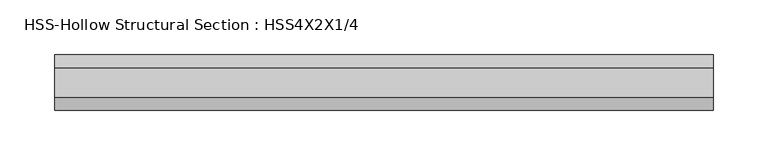
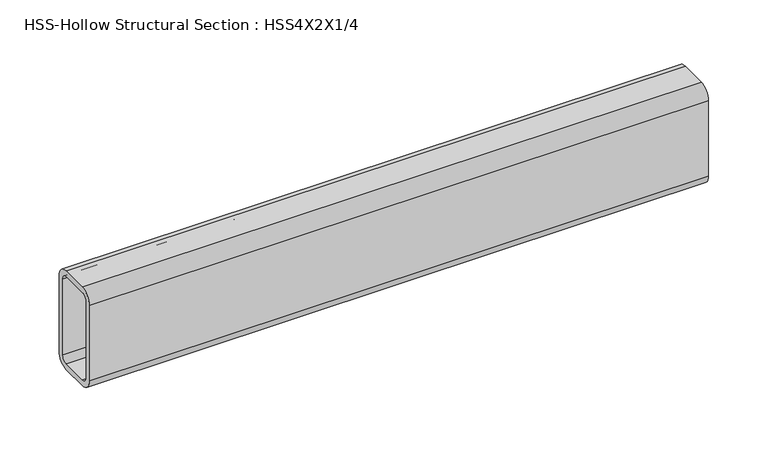
"""IFC4 building model written with IfcOpenShell, lengths in millimetres: beam geometry, HSS-Hollow Structural Section : HSS4X2X1/4."""

import ifcopenshell
import ifcopenshell.guid

model = None  # the IFC model being written
_history = None  # IfcOwnerHistory: only IFC2X3 demands one
_inside = {}  # id of a spatial element -> (the spatial element, [elements in it])
_under = {}  # id of a project, library or spatial element -> (it, [spatial elements below it])
_declared = {}  # id of a project -> (the project, [libraries it declares])
_typed = {}  # id of a type object -> (the type object, [elements of that type])
_made_of = {}  # id of a material, layer set ... -> (it, [elements and type objects made of it])


def new_model(schema):
    """Start an empty IFC model of exactly this schema.

    Asked for "IFC4X3", IfcOpenShell would pick the latest addendum, in which some entities
    have other attributes; the version numbers below select the first issue.
    IFC2X3 requires an IfcOwnerHistory on every rooted entity: one is made here for all.
    """
    global model, _history
    if schema == "IFC4X3":
        model = ifcopenshell.file(schema_version=(4, 3, 0, 0))
    else:
        model = ifcopenshell.file(schema=schema)
    _inside.clear()
    _under.clear()
    _declared.clear()
    _typed.clear()
    _made_of.clear()
    _history = None
    if model.schema == "IFC2X3":
        org = make("IfcOrganization", Name="unknown")
        user = make(
            "IfcPersonAndOrganization",
            ThePerson=make("IfcPerson", FamilyName="unknown"),
            TheOrganization=org,
        )
        app = make(
            "IfcApplication",
            ApplicationDeveloper=org,
            Version="unknown",
            ApplicationFullName="unknown",
            ApplicationIdentifier="unknown",
        )
        _history = make(
            "IfcOwnerHistory",
            OwningUser=user,
            OwningApplication=app,
            ChangeAction="ADDED",
            CreationDate=0,
        )
    return model


def make(cls, **values):
    """One entity of the class cls with the attributes given. An attribute that is None is left unset."""
    return model.create_entity(
        cls, **{name: value for name, value in values.items() if value is not None}
    )


def rooted(cls, **values):
    """An entity with a GlobalId (a new one), such as an element, a storey or a relation."""
    return make(cls, GlobalId=ifcopenshell.guid.new(), OwnerHistory=_history, **values)


def si_unit(unit_type, name, prefix=None):
    """IfcSIUnit, for example si_unit("LENGTHUNIT", "METRE", prefix="MILLI")."""
    return make("IfcSIUnit", UnitType=unit_type, Prefix=prefix, Name=name)


def assignment(units):
    """IfcUnitAssignment: the units of a project."""
    return None if units is None else make("IfcUnitAssignment", Units=units)


def point(xyz):
    """IfcCartesianPoint."""
    return None if xyz is None else make("IfcCartesianPoint", Coordinates=xyz)


def direction(xyz):
    """IfcDirection."""
    return None if xyz is None else make("IfcDirection", DirectionRatios=xyz)


def frame(location, z_axis=None, x_axis=None):
    """IfcAxis2Placement3D, a coordinate frame: its origin and axes. An axis left out is left unset."""
    return make(
        "IfcAxis2Placement3D",
        Location=point(location),
        Axis=direction(z_axis),
        RefDirection=direction(x_axis),
    )


def frame_2d(location, x_axis=None):
    """IfcAxis2Placement2D, a coordinate frame in the plane: its origin and x axis."""
    return make(
        "IfcAxis2Placement2D", Location=point(location), RefDirection=direction(x_axis)
    )


def origin():
    """The frame at (0, 0, 0) with its axes left unset."""
    return frame((0.0, 0.0, 0.0))


def place(relative_to, where):
    """IfcLocalPlacement: puts the frame where relative to a parent placement (None: the world)."""
    return make(
        "IfcLocalPlacement", PlacementRelTo=relative_to, RelativePlacement=where
    )


def context(
    kind, dimensions, precision=None, world=None, true_north=None, identifier=None
):
    """IfcGeometricRepresentationContext, for example the 3D "Model" context."""
    return make(
        "IfcGeometricRepresentationContext",
        ContextIdentifier=identifier,
        ContextType=kind,
        CoordinateSpaceDimension=dimensions,
        Precision=precision,
        WorldCoordinateSystem=world,
        TrueNorth=true_north,
    )


def project(units=None, contexts=None):
    """IfcProject with its units and contexts."""
    return rooted(
        "IfcProject",
        Name="project",
        RepresentationContexts=contexts,
        UnitsInContext=assignment(units),
    )


def spatial(cls, under=None, at=None, **own):
    """A site, building, storey or space (cls), placed at a placement, below another one or the project."""
    s = rooted(cls, ObjectPlacement=at, **own)
    if under is not None:
        _under.setdefault(under.id(), (under, []))[1].append(s)
    return s


def polyline(points):
    """IfcPolyline through the points."""
    return make("IfcPolyline", Points=[point(p) for p in points])


def circle_curve(where, radius):
    """IfcCircle in the frame where."""
    return make("IfcCircle", Position=where, Radius=radius)


def trimmed(basis, trim1, trim2, sense, master):
    """IfcTrimmedCurve: the piece of a basis curve between two trims."""
    return make(
        "IfcTrimmedCurve",
        BasisCurve=basis,
        Trim1=trim1,
        Trim2=trim2,
        SenseAgreement=sense,
        MasterRepresentation=master,
    )


def segment(curve, same_sense, transition):
    """IfcCompositeCurveSegment."""
    return make(
        "IfcCompositeCurveSegment",
        Transition=transition,
        SameSense=same_sense,
        ParentCurve=curve,
    )


def composite_curve(segments, self_intersect=None):
    """IfcCompositeCurve: segments joined end to end."""
    return make("IfcCompositeCurve", Segments=segments, SelfIntersect=self_intersect)


def outline(outer, holes=None, kind="AREA"):
    """IfcArbitraryClosedProfileDef: a profile drawn as a closed curve; with holes, ...WithVoids."""
    if holes is None:
        return make("IfcArbitraryClosedProfileDef", ProfileType=kind, OuterCurve=outer)
    return make(
        "IfcArbitraryProfileDefWithVoids",
        ProfileType=kind,
        OuterCurve=outer,
        InnerCurves=holes,
    )


def extrude(swept, where, along, depth):
    """IfcExtrudedAreaSolid: the profile swept, set in the frame where, extruded along a direction by depth."""
    return make(
        "IfcExtrudedAreaSolid",
        SweptArea=swept,
        Position=where,
        ExtrudedDirection=direction(along),
        Depth=depth,
    )


def shape(context_of_items, identifier, shape_type, items):
    """IfcShapeRepresentation: the items that make up one representation, for example the "Body"."""
    return make(
        "IfcShapeRepresentation",
        ContextOfItems=context_of_items,
        RepresentationIdentifier=identifier,
        RepresentationType=shape_type,
        Items=items,
    )


def source(mapping_origin, context_of_items, identifier, shape_type, items):
    """IfcRepresentationMap: a shape defined once, which mapped items show again and again."""
    return make(
        "IfcRepresentationMap",
        MappingOrigin=mapping_origin,
        MappedRepresentation=shape(context_of_items, identifier, shape_type, items),
    )


def transform(
    local_origin,
    x_axis=None,
    y_axis=None,
    z_axis=None,
    scale=None,
    scale2=None,
    scale3=None,
    uniform=True,
):
    """IfcCartesianTransformationOperator3D, or its non-uniform kind. x_axis, y_axis, z_axis: its Axis1, 2, 3."""
    if uniform:
        return make(
            "IfcCartesianTransformationOperator3D",
            Axis1=direction(x_axis),
            Axis2=direction(y_axis),
            LocalOrigin=point(local_origin),
            Scale=scale,
            Axis3=direction(z_axis),
        )
    return make(
        "IfcCartesianTransformationOperator3DnonUniform",
        Axis1=direction(x_axis),
        Axis2=direction(y_axis),
        LocalOrigin=point(local_origin),
        Scale=scale,
        Axis3=direction(z_axis),
        Scale2=scale2,
        Scale3=scale3,
    )


def mapped(mapping_source, mapping_target):
    """IfcMappedItem: shows the shape of a source again, moved by a transform."""
    return make(
        "IfcMappedItem", MappingSource=mapping_source, MappingTarget=mapping_target
    )


def made_of(thing, what):
    """Note that an element or type object is made of a material, layer set ...; save() writes the relation."""
    if what is not None:
        _made_of.setdefault(what.id(), (what, []))[1].append(thing)
    return thing


def element(
    cls,
    number,
    at=None,
    inside=None,
    cuts=None,
    type_object=None,
    material=None,
    context=None,
    identifier="Body",
    shape_type=None,
    held_by="IfcProductDefinitionShape",
    body=None,
    shapes=None,
    **own,
):
    """One element of the class cls, such as IfcWall. Its Tag is "e" and its number.

    at: its placement. inside: the storey or other place that contains it. cuts: it is an
    opening in that element (IfcRelVoidsElement). A single representation is given by context,
    identifier, shape_type and body (its items); several are given by shapes. held_by: the class
    of the entity that holds the representations. save() writes the other relations.
    """
    e = rooted(cls, Tag="e%d" % number, ObjectPlacement=at, **own)
    if body is not None:
        shapes = [shape(context, identifier, shape_type, body)]
    if shapes is not None:
        e.Representation = make(held_by, Representations=shapes)
    if inside is not None:
        _inside.setdefault(inside.id(), (inside, []))[1].append(e)
    if cuts is not None:
        rooted(
            "IfcRelVoidsElement", RelatingBuildingElement=cuts, RelatedOpeningElement=e
        )
    if type_object is not None:
        _typed.setdefault(type_object.id(), (type_object, []))[1].append(e)
    return made_of(e, material)


def aggregate(whole, parts):
    """IfcRelAggregates: a whole, such as a stair, and the parts it consists of."""
    return rooted("IfcRelAggregates", RelatingObject=whole, RelatedObjects=parts)


def save(model, path):
    """Write the relations noted so far, then the file.

    IfcRelAggregates (storeys below a building ...), IfcRelContainedInSpatialStructure (elements
    in a storey), IfcRelDefinesByType, IfcRelAssociatesMaterial and IfcRelDeclares: one each for
    every whole, place, type object, material and project.
    """
    for whole, parts in _under.values():
        aggregate(whole, parts)
    for where, things in _inside.values():
        rooted(
            "IfcRelContainedInSpatialStructure",
            RelatedElements=things,
            RelatingStructure=where,
        )
    for kind, things in _typed.values():
        rooted("IfcRelDefinesByType", RelatedObjects=things, RelatingType=kind)
    for what, things in _made_of.values():
        rooted("IfcRelAssociatesMaterial", RelatedObjects=things, RelatingMaterial=what)
    for by, libraries in _declared.values():
        rooted("IfcRelDeclares", RelatingContext=by, RelatedDefinitions=libraries)
    model.write(path)


def hss_hollow_structural_section_hss4x2x1_4_538487cc(model_context):
    return source(origin(), model_context, "Body", "SweptSolid", [
        extrude(outline(composite_curve([segment(polyline([(25.4, 38.9636), (25.4, -38.9636)]), True, "CONTINUOUS"), segment(trimmed(circle_curve(frame_2d((13.5636, -38.9636)), 11.8364), [point((25.4, -38.9636))], [point((13.5636, -50.8))], False, "CARTESIAN"), True, "CONTINUOUS"), segment(polyline([(13.5636, -50.8), (-13.5636, -50.8)]), True, "CONTINUOUS"), segment(trimmed(circle_curve(frame_2d((-13.5636, -38.9636)), 11.8364), [point((-13.5636, -50.8))], [point((-25.4, -38.9636))], False, "CARTESIAN"), True, "CONTINUOUS"), segment(polyline([(-25.4, -38.9636), (-25.4, 38.9636)]), True, "CONTINUOUS"), segment(trimmed(circle_curve(frame_2d((-13.5636, 38.9636)), 11.8364), [point((-25.4, 38.9636))], [point((-13.5636, 50.8))], False, "CARTESIAN"), True, "CONTINUOUS"), segment(polyline([(-13.5636, 50.8), (13.5636, 50.8)]), True, "CONTINUOUS"), segment(trimmed(circle_curve(frame_2d((13.5636, 38.9636)), 11.8364), [point((13.5636, 50.8))], [point((25.4, 38.9636))], False, "CARTESIAN"), True, "CONTINUOUS")], self_intersect=False), holes=[composite_curve([segment(trimmed(circle_curve(frame_2d((-13.5636, 38.9636)), 5.9182), [point((-13.5636, 44.8818))], [point((-19.4818, 38.9636))], True, "CARTESIAN"), True, "CONTINUOUS"), segment(polyline([(-19.4818, 38.9636), (-19.4818, -38.9636)]), True, "CONTINUOUS"), segment(trimmed(circle_curve(frame_2d((-13.5636, -38.9636)), 5.9182), [point((-19.4818, -38.9636))], [point((-13.5636, -44.8818))], True, "CARTESIAN"), True, "CONTINUOUS"), segment(polyline([(-13.5636, -44.8818), (13.5636, -44.8818)]), True, "CONTINUOUS"), segment(trimmed(circle_curve(frame_2d((13.5636, -38.9636)), 5.9182), [point((13.5636, -44.8818))], [point((19.4818, -38.9636))], True, "CARTESIAN"), True, "CONTINUOUS"), segment(polyline([(19.4818, -38.9636), (19.4818, 38.9636)]), True, "CONTINUOUS"), segment(trimmed(circle_curve(frame_2d((13.5636, 38.9636)), 5.9182), [point((19.4818, 38.9636))], [point((13.5636, 44.8818))], True, "CARTESIAN"), True, "CONTINUOUS"), segment(polyline([(13.5636, 44.8818), (-13.5636, 44.8818)]), True, "CONTINUOUS")], self_intersect=False)]), frame((-301.625, 0.0, 0.0), z_axis=(1.0, 0.0, 0.0), x_axis=(0.0, 1.0, 0.0)), (0.0, 0.0, 1.0), 603.25),
    ])


if __name__ == "__main__":
    model = new_model("IFC4")
    model_context = context("Model", 3, world=origin())
    ifc_project = project(units=[si_unit("LENGTHUNIT", "METRE", prefix="MILLI")], contexts=[model_context])
    site = spatial("IfcSite", under=ifc_project)
    building = spatial("IfcBuilding", under=site)
    placement = place(None, origin())
    hss_hollow_structural_section_hss4x2x1_4_shape = hss_hollow_structural_section_hss4x2x1_4_538487cc(model_context)
    element("IfcBeam", 1, ObjectType="HSS-Hollow Structural Section : HSS4X2X1/4", at=placement, inside=building, context=model_context, shape_type="MappedRepresentation", body=[
        mapped(hss_hollow_structural_section_hss4x2x1_4_shape, transform((0.0, 0.0, 0.0), x_axis=(1.0, 0.0, 0.0), y_axis=(0.0, 1.0, 0.0), z_axis=(0.0, 0.0, 1.0))),
    ])
    save(model, "model.ifc")
